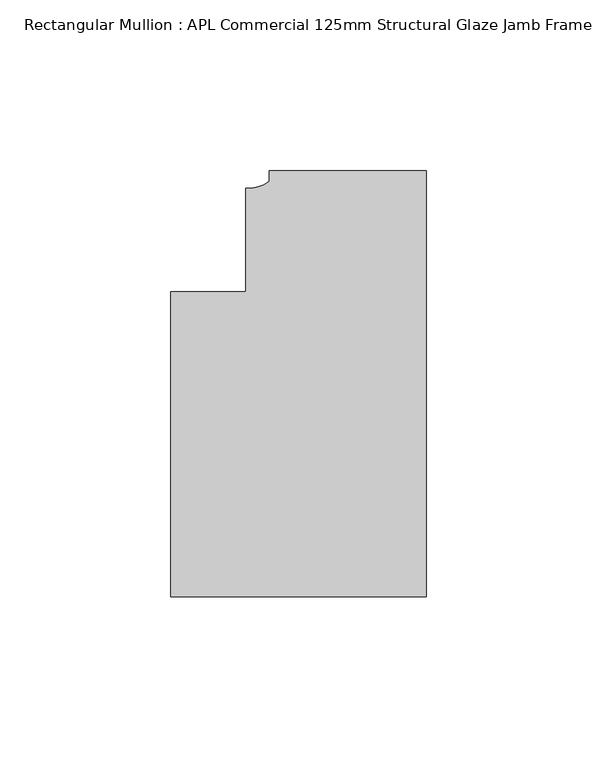
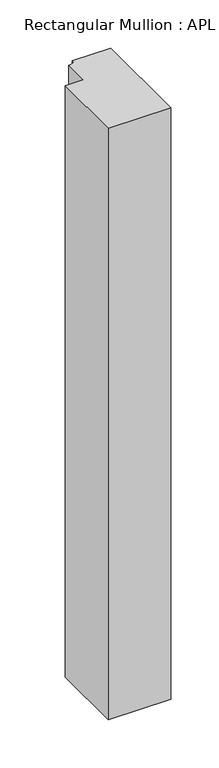
"""IFC4 building model written with IfcOpenShell, lengths in millimetres: member geometry, Rectangular Mullion : APL Commercial 125mm Structural Glaze Jamb Frame (left)."""

import ifcopenshell
import ifcopenshell.guid

model = None  # the IFC model being written
_history = None  # IfcOwnerHistory: only IFC2X3 demands one
_inside = {}  # id of a spatial element -> (the spatial element, [elements in it])
_under = {}  # id of a project, library or spatial element -> (it, [spatial elements below it])
_declared = {}  # id of a project -> (the project, [libraries it declares])
_typed = {}  # id of a type object -> (the type object, [elements of that type])
_made_of = {}  # id of a material, layer set ... -> (it, [elements and type objects made of it])


def new_model(schema):
    """Start an empty IFC model of exactly this schema.

    Asked for "IFC4X3", IfcOpenShell would pick the latest addendum, in which some entities
    have other attributes; the version numbers below select the first issue.
    IFC2X3 requires an IfcOwnerHistory on every rooted entity: one is made here for all.
    """
    global model, _history
    if schema == "IFC4X3":
        model = ifcopenshell.file(schema_version=(4, 3, 0, 0))
    else:
        model = ifcopenshell.file(schema=schema)
    _inside.clear()
    _under.clear()
    _declared.clear()
    _typed.clear()
    _made_of.clear()
    _history = None
    if model.schema == "IFC2X3":
        org = make("IfcOrganization", Name="unknown")
        user = make(
            "IfcPersonAndOrganization",
            ThePerson=make("IfcPerson", FamilyName="unknown"),
            TheOrganization=org,
        )
        app = make(
            "IfcApplication",
            ApplicationDeveloper=org,
            Version="unknown",
            ApplicationFullName="unknown",
            ApplicationIdentifier="unknown",
        )
        _history = make(
            "IfcOwnerHistory",
            OwningUser=user,
            OwningApplication=app,
            ChangeAction="ADDED",
            CreationDate=0,
        )
    return model


def make(cls, **values):
    """One entity of the class cls with the attributes given. An attribute that is None is left unset."""
    return model.create_entity(
        cls, **{name: value for name, value in values.items() if value is not None}
    )


def rooted(cls, **values):
    """An entity with a GlobalId (a new one), such as an element, a storey or a relation."""
    return make(cls, GlobalId=ifcopenshell.guid.new(), OwnerHistory=_history, **values)


def si_unit(unit_type, name, prefix=None):
    """IfcSIUnit, for example si_unit("LENGTHUNIT", "METRE", prefix="MILLI")."""
    return make("IfcSIUnit", UnitType=unit_type, Prefix=prefix, Name=name)


def assignment(units):
    """IfcUnitAssignment: the units of a project."""
    return None if units is None else make("IfcUnitAssignment", Units=units)


def point(xyz):
    """IfcCartesianPoint."""
    return None if xyz is None else make("IfcCartesianPoint", Coordinates=xyz)


def direction(xyz):
    """IfcDirection."""
    return None if xyz is None else make("IfcDirection", DirectionRatios=xyz)


def frame(location, z_axis=None, x_axis=None):
    """IfcAxis2Placement3D, a coordinate frame: its origin and axes. An axis left out is left unset."""
    return make(
        "IfcAxis2Placement3D",
        Location=point(location),
        Axis=direction(z_axis),
        RefDirection=direction(x_axis),
    )


def frame_2d(location, x_axis=None):
    """IfcAxis2Placement2D, a coordinate frame in the plane: its origin and x axis."""
    return make(
        "IfcAxis2Placement2D", Location=point(location), RefDirection=direction(x_axis)
    )


def origin():
    """The frame at (0, 0, 0) with its axes left unset."""
    return frame((0.0, 0.0, 0.0))


def place(relative_to, where):
    """IfcLocalPlacement: puts the frame where relative to a parent placement (None: the world)."""
    return make(
        "IfcLocalPlacement", PlacementRelTo=relative_to, RelativePlacement=where
    )


def context(
    kind, dimensions, precision=None, world=None, true_north=None, identifier=None
):
    """IfcGeometricRepresentationContext, for example the 3D "Model" context."""
    return make(
        "IfcGeometricRepresentationContext",
        ContextIdentifier=identifier,
        ContextType=kind,
        CoordinateSpaceDimension=dimensions,
        Precision=precision,
        WorldCoordinateSystem=world,
        TrueNorth=true_north,
    )


def project(units=None, contexts=None):
    """IfcProject with its units and contexts."""
    return rooted(
        "IfcProject",
        Name="project",
        RepresentationContexts=contexts,
        UnitsInContext=assignment(units),
    )


def spatial(cls, under=None, at=None, **own):
    """A site, building, storey or space (cls), placed at a placement, below another one or the project."""
    s = rooted(cls, ObjectPlacement=at, **own)
    if under is not None:
        _under.setdefault(under.id(), (under, []))[1].append(s)
    return s


def polyline(points):
    """IfcPolyline through the points."""
    return make("IfcPolyline", Points=[point(p) for p in points])


def circle_curve(where, radius):
    """IfcCircle in the frame where."""
    return make("IfcCircle", Position=where, Radius=radius)


def trimmed(basis, trim1, trim2, sense, master):
    """IfcTrimmedCurve: the piece of a basis curve between two trims."""
    return make(
        "IfcTrimmedCurve",
        BasisCurve=basis,
        Trim1=trim1,
        Trim2=trim2,
        SenseAgreement=sense,
        MasterRepresentation=master,
    )


def segment(curve, same_sense, transition):
    """IfcCompositeCurveSegment."""
    return make(
        "IfcCompositeCurveSegment",
        Transition=transition,
        SameSense=same_sense,
        ParentCurve=curve,
    )


def composite_curve(segments, self_intersect=None):
    """IfcCompositeCurve: segments joined end to end."""
    return make("IfcCompositeCurve", Segments=segments, SelfIntersect=self_intersect)


def outline(outer, holes=None, kind="AREA"):
    """IfcArbitraryClosedProfileDef: a profile drawn as a closed curve; with holes, ...WithVoids."""
    if holes is None:
        return make("IfcArbitraryClosedProfileDef", ProfileType=kind, OuterCurve=outer)
    return make(
        "IfcArbitraryProfileDefWithVoids",
        ProfileType=kind,
        OuterCurve=outer,
        InnerCurves=holes,
    )


def extrude(swept, where, along, depth):
    """IfcExtrudedAreaSolid: the profile swept, set in the frame where, extruded along a direction by depth."""
    return make(
        "IfcExtrudedAreaSolid",
        SweptArea=swept,
        Position=where,
        ExtrudedDirection=direction(along),
        Depth=depth,
    )


def shape(context_of_items, identifier, shape_type, items):
    """IfcShapeRepresentation: the items that make up one representation, for example the "Body"."""
    return make(
        "IfcShapeRepresentation",
        ContextOfItems=context_of_items,
        RepresentationIdentifier=identifier,
        RepresentationType=shape_type,
        Items=items,
    )


def source(mapping_origin, context_of_items, identifier, shape_type, items):
    """IfcRepresentationMap: a shape defined once, which mapped items show again and again."""
    return make(
        "IfcRepresentationMap",
        MappingOrigin=mapping_origin,
        MappedRepresentation=shape(context_of_items, identifier, shape_type, items),
    )


def transform(
    local_origin,
    x_axis=None,
    y_axis=None,
    z_axis=None,
    scale=None,
    scale2=None,
    scale3=None,
    uniform=True,
):
    """IfcCartesianTransformationOperator3D, or its non-uniform kind. x_axis, y_axis, z_axis: its Axis1, 2, 3."""
    if uniform:
        return make(
            "IfcCartesianTransformationOperator3D",
            Axis1=direction(x_axis),
            Axis2=direction(y_axis),
            LocalOrigin=point(local_origin),
            Scale=scale,
            Axis3=direction(z_axis),
        )
    return make(
        "IfcCartesianTransformationOperator3DnonUniform",
        Axis1=direction(x_axis),
        Axis2=direction(y_axis),
        LocalOrigin=point(local_origin),
        Scale=scale,
        Axis3=direction(z_axis),
        Scale2=scale2,
        Scale3=scale3,
    )


def mapped(mapping_source, mapping_target):
    """IfcMappedItem: shows the shape of a source again, moved by a transform."""
    return make(
        "IfcMappedItem", MappingSource=mapping_source, MappingTarget=mapping_target
    )


def made_of(thing, what):
    """Note that an element or type object is made of a material, layer set ...; save() writes the relation."""
    if what is not None:
        _made_of.setdefault(what.id(), (what, []))[1].append(thing)
    return thing


def element(
    cls,
    number,
    at=None,
    inside=None,
    cuts=None,
    type_object=None,
    material=None,
    context=None,
    identifier="Body",
    shape_type=None,
    held_by="IfcProductDefinitionShape",
    body=None,
    shapes=None,
    **own,
):
    """One element of the class cls, such as IfcWall. Its Tag is "e" and its number.

    at: its placement. inside: the storey or other place that contains it. cuts: it is an
    opening in that element (IfcRelVoidsElement). A single representation is given by context,
    identifier, shape_type and body (its items); several are given by shapes. held_by: the class
    of the entity that holds the representations. save() writes the other relations.
    """
    e = rooted(cls, Tag="e%d" % number, ObjectPlacement=at, **own)
    if body is not None:
        shapes = [shape(context, identifier, shape_type, body)]
    if shapes is not None:
        e.Representation = make(held_by, Representations=shapes)
    if inside is not None:
        _inside.setdefault(inside.id(), (inside, []))[1].append(e)
    if cuts is not None:
        rooted(
            "IfcRelVoidsElement", RelatingBuildingElement=cuts, RelatedOpeningElement=e
        )
    if type_object is not None:
        _typed.setdefault(type_object.id(), (type_object, []))[1].append(e)
    return made_of(e, material)


def aggregate(whole, parts):
    """IfcRelAggregates: a whole, such as a stair, and the parts it consists of."""
    return rooted("IfcRelAggregates", RelatingObject=whole, RelatedObjects=parts)


def save(model, path):
    """Write the relations noted so far, then the file.

    IfcRelAggregates (storeys below a building ...), IfcRelContainedInSpatialStructure (elements
    in a storey), IfcRelDefinesByType, IfcRelAssociatesMaterial and IfcRelDeclares: one each for
    every whole, place, type object, material and project.
    """
    for whole, parts in _under.values():
        aggregate(whole, parts)
    for where, things in _inside.values():
        rooted(
            "IfcRelContainedInSpatialStructure",
            RelatedElements=things,
            RelatingStructure=where,
        )
    for kind, things in _typed.values():
        rooted("IfcRelDefinesByType", RelatedObjects=things, RelatingType=kind)
    for what, things in _made_of.values():
        rooted("IfcRelAssociatesMaterial", RelatedObjects=things, RelatingMaterial=what)
    for by, libraries in _declared.values():
        rooted("IfcRelDeclares", RelatingContext=by, RelatedDefinitions=libraries)
    model.write(path)


def rectangular_mullion_apl_commercial_125mm_structural_glaze_050a9987(model_context):
    return source(origin(), model_context, "Body", "SweptSolid", [
        extrude(outline(composite_curve([segment(polyline([(0.0, 20.5), (0.0, -104.5), (-75.0, -104.5), (-75.0, -15.0000829), (-52.9999391, -15.0000829), (-52.9999391, 15.3797475)]), True, "CONTINUOUS"), segment(trimmed(circle_curve(frame_2d((-52.1098019, 25.7981812)), 10.4563907), [point((-52.9999391, 15.3797475))], [point((-45.9999842, 17.3125325))], True, "CARTESIAN"), True, "CONTINUOUS"), segment(polyline([(-45.9999842, 17.3125325), (-45.9999842, 20.5), (0.0, 20.5)]), True, "CONTINUOUS")], self_intersect=False)), frame((0.0, 0.0, -751.0229426), z_axis=(0.0, 0.0, 1.0), x_axis=(1.0, 0.0, 0.0)), (0.0, 0.0, 1.0), 751.0229426),
    ])


if __name__ == "__main__":
    model = new_model("IFC4")
    model_context = context("Model", 3, world=origin())
    ifc_project = project(units=[si_unit("LENGTHUNIT", "METRE", prefix="MILLI")], contexts=[model_context])
    site = spatial("IfcSite", under=ifc_project)
    building = spatial("IfcBuilding", under=site)
    placement = place(None, origin())
    rectangular_mullion_apl_commercial_125mm_structural_glaze_shape = rectangular_mullion_apl_commercial_125mm_structural_glaze_050a9987(model_context)
    element("IfcMember", 1, ObjectType="Rectangular Mullion : APL Commercial 125mm Structural Glaze Jamb Frame (left)", at=placement, inside=building, context=model_context, shape_type="MappedRepresentation", body=[
        mapped(rectangular_mullion_apl_commercial_125mm_structural_glaze_shape, transform((0.0, 0.0, 0.0), x_axis=(1.0, 0.0, 0.0), y_axis=(0.0, 1.0, 0.0), z_axis=(0.0, 0.0, 1.0))),
    ])
    save(model, "model.ifc")
